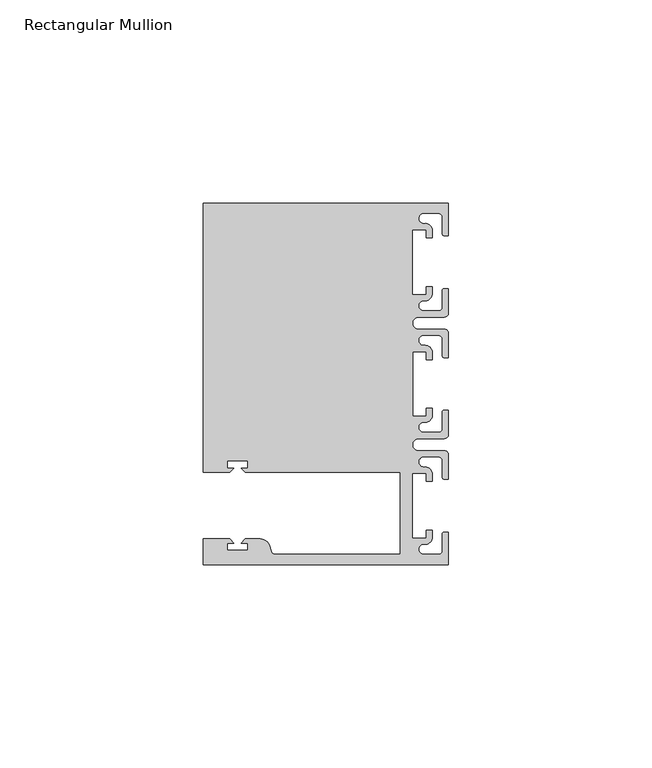
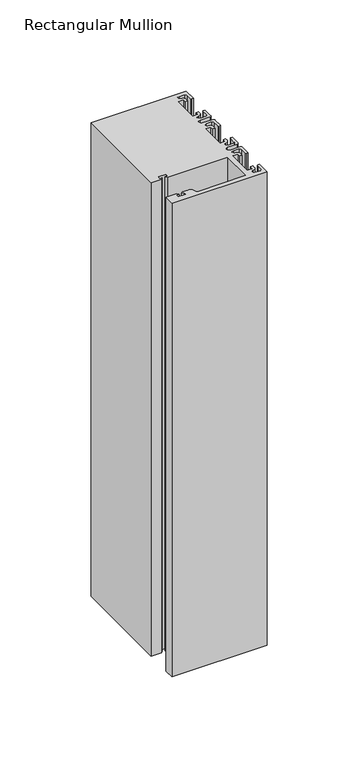
"""IFC4 building model written with IfcOpenShell, lengths in millimetres: member geometry, Rectangular Mullion."""

from ifc_helpers import new_model, si_unit, point, frame, frame_2d, origin, place, context, project, spatial, polyline, circle_curve, trimmed, segment, composite_curve, outline, extrude, source, transform, mapped, element, save


def rectangular_mullion_08d0eac4(model_context):
    return source(origin(), model_context, "Body", "SweptSolid", [
        extrude(outline(composite_curve([segment(polyline([(0.0, -44.45), (-60.3249977, -44.45), (-60.3249977, -38.1499897), (-53.8507531, -38.1499897), (-52.8507405, -39.1500023), (-54.4249778, -39.1500023), (-54.4249778, -40.9498819), (-49.4249831, -40.9498819), (-49.4249831, -39.1500023), (-50.999256, -39.1500023), (-49.9992503, -38.1499966), (-46.3137853, -38.1499966)]), True, "CONTINUOUS"), segment(trimmed(circle_curve(frame_2d((-46.3137853, -40.6499966)), 2.5), [point((-46.3137853, -38.1499966))], [point((-43.8989707, -40.002949))], False, "CARTESIAN"), True, "CONTINUOUS"), segment(polyline([(-43.8989707, -40.002949), (-43.5758588, -41.2088192)]), True, "CONTINUOUS"), segment(trimmed(circle_curve(frame_2d((-42.6099329, -40.9500001)), 1.0), [point((-43.5758588, -41.2088192))], [point((-42.6099329, -41.9500001))], True, "CARTESIAN"), True, "CONTINUOUS"), segment(polyline([(-42.6099329, -41.9500001), (-11.8, -41.95), (-11.8, -21.7499959), (-49.9992434, -21.7499959), (-50.999256, -20.7499834), (-49.4250186, -20.7499834), (-49.4250186, -18.949936), (-54.4250134, -18.949936), (-54.4250134, -20.7499834), (-52.8507405, -20.7499834), (-53.8507562, -21.749999), (-60.325, -21.749999), (-60.325, 44.45), (0.0, 44.45), (0.0, 36.4500318), (-1.0, 36.4500318)]), True, "CONTINUOUS"), segment(trimmed(circle_curve(frame_2d((-1.0, 36.9500318)), 0.5), [point((-1.0, 36.4500318))], [point((-1.5, 36.9500318))], False, "CARTESIAN"), True, "CONTINUOUS"), segment(polyline([(-1.5, 36.9500318), (-1.5, 40.95)]), True, "CONTINUOUS"), segment(trimmed(circle_curve(frame_2d((-2.5, 40.95)), 1.0), [point((-1.5, 40.95))], [point((-2.5, 41.95))], True, "CARTESIAN"), True, "CONTINUOUS"), segment(polyline([(-2.5, 41.95), (-6.0499986, 41.95)]), True, "CONTINUOUS"), segment(trimmed(circle_curve(frame_2d((-6.0499986, 40.6999986)), 1.2500014), [point((-6.0499986, 41.95))], [point((-5.9027291, 39.4587029))], True, "CARTESIAN"), True, "CONTINUOUS"), segment(trimmed(circle_curve(frame_2d((-5.7186029, 37.7499972)), 1.7185975), [point((-5.9027291, 39.4587029))], [point((-4.0000054, 37.7499972))], False, "CARTESIAN"), True, "CONTINUOUS"), segment(polyline([(-4.0000054, 37.7499972), (-4.0000054, 35.9500318), (-5.5, 35.9500318), (-5.5, 37.9499972), (-8.8585786, 37.9499972), (-8.8585786, 21.9499956), (-5.5, 21.9499956), (-5.5, 23.9499611), (-3.9999946, 23.9499611), (-3.9999946, 22.0272972)]), True, "CONTINUOUS"), segment(trimmed(circle_curve(frame_2d((-5.7543344, 22.1865598)), 1.761554), [point((-3.9999946, 22.0272972))], [point((-6.0499986, 20.4499956))], False, "CARTESIAN"), True, "CONTINUOUS"), segment(trimmed(circle_curve(frame_2d((-6.0499986, 19.1999942)), 1.2500014), [point((-6.0499986, 20.4499956))], [point((-6.0499986, 17.9499929))], True, "CARTESIAN"), True, "CONTINUOUS"), segment(polyline([(-6.0499986, 17.9499929), (-2.5, 17.9499929)]), True, "CONTINUOUS"), segment(trimmed(circle_curve(frame_2d((-2.5, 18.9499929)), 1.0), [point((-2.5, 17.9499929))], [point((-1.5, 18.9499929))], True, "CARTESIAN"), True, "CONTINUOUS"), segment(polyline([(-1.5, 18.9499929), (-1.5, 22.9499611)]), True, "CONTINUOUS"), segment(trimmed(circle_curve(frame_2d((-1.0, 22.9499611)), 0.5), [point((-1.5, 22.9499611))], [point((-1.0, 23.4499611))], False, "CARTESIAN"), True, "CONTINUOUS"), segment(polyline([(-1.0, 23.4499611), (0.0, 23.4499611), (0.0, 17.4499929)]), True, "CONTINUOUS"), segment(trimmed(circle_curve(frame_2d((-1.0, 17.4499929)), 1.0), [point((0.0, 17.4499929))], [point((-1.0, 16.4499929))], False, "CARTESIAN"), True, "CONTINUOUS"), segment(polyline([(-1.0, 16.4499929), (-7.3, 16.4499929)]), True, "CONTINUOUS"), segment(trimmed(circle_curve(frame_2d((-7.3, 14.9499929)), 1.5), [point((-7.3, 16.4499929))], [point((-7.3046244, 13.45))], True, "CARTESIAN"), True, "CONTINUOUS"), segment(polyline([(-7.3046244, 13.45), (-1.0, 13.45)]), True, "CONTINUOUS"), segment(trimmed(circle_curve(frame_2d((-1.0, 12.45)), 1.0), [point((-1.0, 13.45))], [point((0.0, 12.45))], False, "CARTESIAN"), True, "CONTINUOUS"), segment(polyline([(0.0, 12.45), (0.0, 6.4500354), (-0.9999964, 6.4500354)]), True, "CONTINUOUS"), segment(trimmed(circle_curve(frame_2d((-0.9999964, 6.9500354)), 0.5), [point((-0.9999964, 6.4500354))], [point((-1.4999964, 6.9500354))], False, "CARTESIAN"), True, "CONTINUOUS"), segment(polyline([(-1.4999964, 6.9500354), (-1.4999964, 10.95)]), True, "CONTINUOUS"), segment(trimmed(circle_curve(frame_2d((-2.4999964, 10.95)), 1.0), [point((-1.4999964, 10.95))], [point((-2.4999964, 11.95))], True, "CARTESIAN"), True, "CONTINUOUS"), segment(polyline([(-2.4999964, 11.95), (-6.0499986, 11.95)]), True, "CONTINUOUS"), segment(trimmed(circle_curve(frame_2d((-6.0499986, 10.6999986)), 1.2500014), [point((-6.0499986, 11.95))], [point((-6.0499986, 9.4499972))], True, "CARTESIAN"), True, "CONTINUOUS"), segment(trimmed(circle_curve(frame_2d((-5.7298824, 7.7499972)), 1.729877), [point((-6.0499986, 9.4499972))], [point((-4.0000054, 7.7499972))], False, "CARTESIAN"), True, "CONTINUOUS"), segment(polyline([(-4.0000054, 7.7499972), (-4.0000054, 5.9500318), (-5.5, 5.9500318), (-5.5, 7.9499972), (-8.8, 7.9499972), (-8.8, -7.9499972), (-5.5, -7.9499972), (-5.5, -5.9500318), (-4.0000054, -5.9500318), (-4.0000054, -7.7499972)]), True, "CONTINUOUS"), segment(trimmed(circle_curve(frame_2d((-5.7298824, -7.7499972)), 1.729877), [point((-4.0000054, -7.7499972))], [point((-6.0499986, -9.4499972))], False, "CARTESIAN"), True, "CONTINUOUS"), segment(trimmed(circle_curve(frame_2d((-6.0499986, -10.6999986)), 1.2500014), [point((-6.0499986, -9.4499972))], [point((-6.0499986, -11.95))], True, "CARTESIAN"), True, "CONTINUOUS"), segment(polyline([(-6.0499986, -11.95), (-2.4999964, -11.95)]), True, "CONTINUOUS"), segment(trimmed(circle_curve(frame_2d((-2.4999964, -10.95)), 1.0), [point((-2.4999964, -11.95))], [point((-1.4999964, -10.95))], True, "CARTESIAN"), True, "CONTINUOUS"), segment(polyline([(-1.4999964, -10.95), (-1.4999964, -6.9500354)]), True, "CONTINUOUS"), segment(trimmed(circle_curve(frame_2d((-0.9999964, -6.9500354)), 0.5), [point((-1.4999964, -6.9500354))], [point((-0.9999964, -6.4500354))], False, "CARTESIAN"), True, "CONTINUOUS"), segment(polyline([(-0.9999964, -6.4500354), (0.0, -6.4500354), (0.0, -12.45)]), True, "CONTINUOUS"), segment(trimmed(circle_curve(frame_2d((-1.0, -12.45)), 1.0), [point((0.0, -12.45))], [point((-1.0, -13.45))], False, "CARTESIAN"), True, "CONTINUOUS"), segment(polyline([(-1.0, -13.45), (-7.3046244, -13.45)]), True, "CONTINUOUS"), segment(trimmed(circle_curve(frame_2d((-7.3, -14.9499929)), 1.5), [point((-7.3046244, -13.45))], [point((-7.3, -16.4499929))], True, "CARTESIAN"), True, "CONTINUOUS"), segment(polyline([(-7.3, -16.4499929), (-1.0, -16.4499929)]), True, "CONTINUOUS"), segment(trimmed(circle_curve(frame_2d((-1.0, -17.4499929)), 1.0), [point((-1.0, -16.4499929))], [point((0.0, -17.4499929))], False, "CARTESIAN"), True, "CONTINUOUS"), segment(polyline([(0.0, -17.4499929), (0.0, -23.4499611), (-1.0, -23.4499611)]), True, "CONTINUOUS"), segment(trimmed(circle_curve(frame_2d((-1.0, -22.9499611)), 0.5), [point((-1.0, -23.4499611))], [point((-1.5, -22.9499611))], False, "CARTESIAN"), True, "CONTINUOUS"), segment(polyline([(-1.5, -22.9499611), (-1.5, -18.9499929)]), True, "CONTINUOUS"), segment(trimmed(circle_curve(frame_2d((-2.5, -18.9499929)), 1.0), [point((-1.5, -18.9499929))], [point((-2.5, -17.9499929))], True, "CARTESIAN"), True, "CONTINUOUS"), segment(polyline([(-2.5, -17.9499929), (-6.0499986, -17.9499929)]), True, "CONTINUOUS"), segment(trimmed(circle_curve(frame_2d((-6.0499986, -19.1999942)), 1.2500014), [point((-6.0499986, -17.9499929))], [point((-6.0499986, -20.4499956))], True, "CARTESIAN"), True, "CONTINUOUS"), segment(trimmed(circle_curve(frame_2d((-5.7543344, -22.1865598)), 1.761554), [point((-6.0499986, -20.4499956))], [point((-3.9999946, -22.0272972))], False, "CARTESIAN"), True, "CONTINUOUS"), segment(polyline([(-3.9999946, -22.0272972), (-3.9999946, -23.9499611), (-5.5, -23.9499611), (-5.5, -21.9499956), (-8.8585786, -21.9499956), (-8.8585786, -37.9499972), (-5.5, -37.9499972), (-5.5, -35.9500318), (-4.0000054, -35.9500318), (-4.0000054, -37.7499972)]), True, "CONTINUOUS"), segment(trimmed(circle_curve(frame_2d((-5.7186029, -37.7499972)), 1.7185975), [point((-4.0000054, -37.7499972))], [point((-5.9027291, -39.4587029))], False, "CARTESIAN"), True, "CONTINUOUS"), segment(trimmed(circle_curve(frame_2d((-6.0499986, -40.6999986)), 1.2500014), [point((-5.9027291, -39.4587029))], [point((-6.0499986, -41.95))], True, "CARTESIAN"), True, "CONTINUOUS"), segment(polyline([(-6.0499986, -41.95), (-2.5, -41.95)]), True, "CONTINUOUS"), segment(trimmed(circle_curve(frame_2d((-2.5, -40.95)), 1.0), [point((-2.5, -41.95))], [point((-1.5, -40.95))], True, "CARTESIAN"), True, "CONTINUOUS"), segment(polyline([(-1.5, -40.95), (-1.5, -36.9500318)]), True, "CONTINUOUS"), segment(trimmed(circle_curve(frame_2d((-1.0, -36.9500318)), 0.5), [point((-1.5, -36.9500318))], [point((-1.0, -36.4500318))], False, "CARTESIAN"), True, "CONTINUOUS"), segment(polyline([(-1.0, -36.4500318), (0.0, -36.4500318), (0.0, -44.45)]), True, "CONTINUOUS")], self_intersect=False)), frame((0.0, 0.0, -317.5), z_axis=(0.0, 0.0, 1.0), x_axis=(1.0, 0.0, 0.0)), (0.0, 0.0, 1.0), 317.5),
    ])


if __name__ == "__main__":
    model = new_model("IFC4")
    model_context = context("Model", 3, world=origin())
    ifc_project = project(units=[si_unit("LENGTHUNIT", "METRE", prefix="MILLI")], contexts=[model_context])
    site = spatial("IfcSite", under=ifc_project)
    building = spatial("IfcBuilding", under=site)
    placement = place(None, origin())
    rectangular_mullion_shape = rectangular_mullion_08d0eac4(model_context)
    element("IfcMember", 1, ObjectType="Rectangular Mullion", at=placement, inside=building, context=model_context, shape_type="MappedRepresentation", body=[
        mapped(rectangular_mullion_shape, transform((0.0, 0.0, 0.0), x_axis=(1.0, 0.0, 0.0), y_axis=(0.0, 1.0, 0.0), z_axis=(0.0, 0.0, 1.0))),
    ])
    save(model, "model.ifc")
